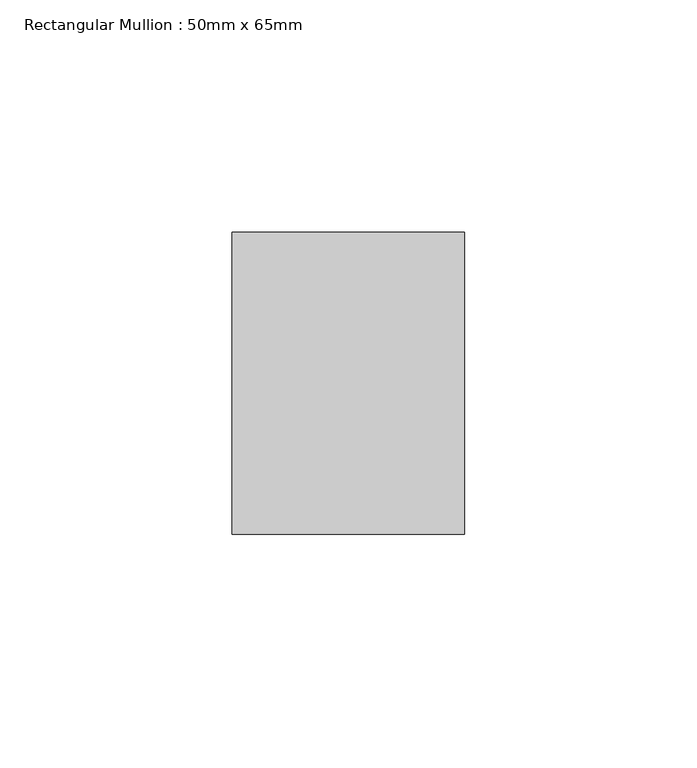
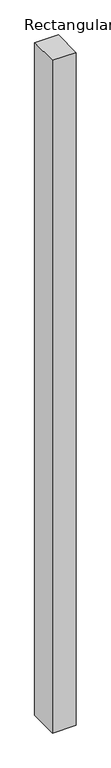
"""IFC4 building model written with IfcOpenShell, lengths in millimetres: member geometry, Rectangular Mullion : 50mm x 65mm."""

from ifc_helpers import new_model, si_unit, origin, place, context, project, spatial, faceted_brep, source, transform, mapped, element, save


def rectangular_mullion_50mm_x_65mm_f1cdfac9(model_context):
    return source(origin(), model_context, "Body", "Brep", [
        faceted_brep([(-25.0, 32.5, -0.0443365), (25.0, 32.5, -0.0443367), (25.0, 32.5, -1499.9019285), (-25.0, 32.5, -1499.9019291), (-25.0, -32.5, 0.0443367), (-25.0, -32.5, -1500.0981067), (25.0, -32.5, 0.0443365), (25.0, -32.5, -1500.0981061)], [[[0, 1, 2, 3]], [[4, 0, 3, 5]], [[6, 4, 5, 7]], [[1, 6, 7, 2]], [[1, 0, 4, 6]], [[2, 7, 5, 3]]]),
    ])


if __name__ == "__main__":
    model = new_model("IFC4")
    model_context = context("Model", 3, world=origin())
    ifc_project = project(units=[si_unit("LENGTHUNIT", "METRE", prefix="MILLI")], contexts=[model_context])
    site = spatial("IfcSite", under=ifc_project)
    building = spatial("IfcBuilding", under=site)
    placement = place(None, origin())
    rectangular_mullion_50mm_x_65mm_shape = rectangular_mullion_50mm_x_65mm_f1cdfac9(model_context)
    element("IfcMember", 1, ObjectType="Rectangular Mullion : 50mm x 65mm", at=placement, inside=building, context=model_context, shape_type="MappedRepresentation", body=[
        mapped(rectangular_mullion_50mm_x_65mm_shape, transform((0.0, 0.0, 0.0), x_axis=(1.0, 0.0, 0.0), y_axis=(0.0, 1.0, 0.0), z_axis=(0.0, 0.0, 1.0))),
    ])
    save(model, "model.ifc")
